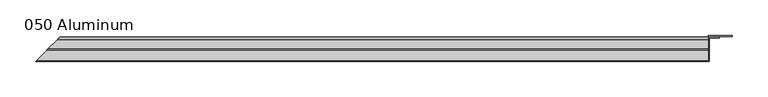
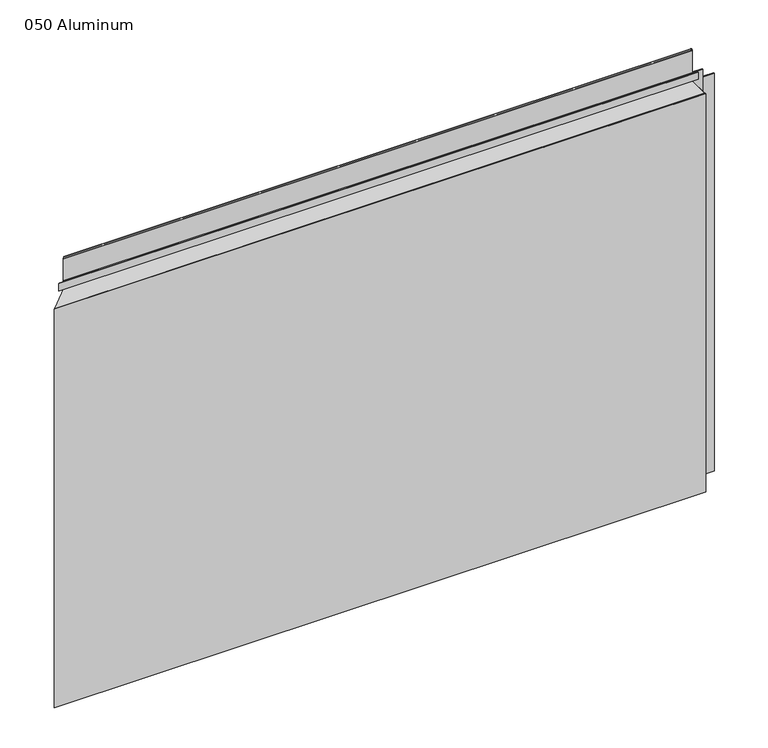
"""IFC4 building model written with IfcOpenShell, lengths in millimetres: plate geometry, 050 Aluminum."""

from ifc_helpers import new_model, si_unit, frame, origin, origin_with_axes, place, context, project, spatial, polyline, circle_curve, ellipse_curve, outline, extrude, source, transform, mapped, element, save
from ifc_brep_helpers import plane_surface, cylinder_surface, revolved_surface, advanced_brep


def plate_050_aluminum_416244a2(model_context):
    return source(origin(), model_context, "Body", "SolidModel", [
        advanced_brep(
        [(445.1549999, -16.6765477, 13.1458337), (445.1549999, -23.0264743, 13.124237), (445.1549999, -23.0264743, 1.2693678), (445.1549999, -34.7980002, 1.2693678), (445.1549999, -34.7980002, 0.0), (445.1549999, -21.7564743, 0.0), (445.1549999, -21.7564743, 13.124237), (445.1549999, -17.9464915, 13.1323356), (445.1549999, -17.9464915, 2.786437), (445.1549999, -16.6765477, 2.786437), (-475.8015477, -16.6765477, 2.786437), (-475.8015477, -16.6765477, 13.1458337), (-477.0714914, -17.9464915, 2.786437), (-477.0714914, -17.9464915, 13.1323356), (-480.8814742, -21.7564743, 13.124237), (-480.8814742, -21.7564743, 0.0), (-493.9229999, -34.7980002, 0.0), (-493.9229999, -34.7980002, 1.2693678), (-482.1514742, -23.0264743, 1.2693678), (-482.1514742, -23.0264743, 13.124237)],
        [
            (0, 1, circle_curve(frame((445.1549999, -19.8514743, 13.124237), z_axis=(1.0, 0.0, 0.0), x_axis=(0.0, 0.0, -1.0)), 3.175)),
            (1, 2),
            (2, 3),
            (3, 4),
            (4, 5),
            (5, 6),
            (6, 7, circle_curve(frame((445.1549999, -19.8514743, 13.124237), z_axis=(-1.0, 0.0, 0.0), x_axis=(0.0, 0.0, -1.0)), 1.905)),
            (7, 8),
            (8, 9),
            (9, 0),
            (9, 10),
            (10, 11),
            (11, 0),
            (8, 12),
            (12, 10),
            (7, 13),
            (13, 12),
            (6, 14),
            (14, 13, ellipse_curve(frame((-478.9764742, -19.8514743, 13.124237), z_axis=(-0.7071067811865466, 0.7071067811865485, 0.0), x_axis=(0.7071067811865485, 0.7071067811865466, 0.0)), 2.6940768, 1.905)),
            (5, 15),
            (15, 14),
            (4, 16),
            (16, 15),
            (3, 17),
            (17, 16),
            (2, 18),
            (18, 17),
            (1, 19),
            (19, 18),
            (11, 19, ellipse_curve(frame((-478.9764742, -19.8514743, 13.124237), z_axis=(0.7071067811865466, -0.7071067811865485, 0.0), x_axis=(-0.7071067811865485, -0.7071067811865466, 0.0)), 4.4901281, 3.175)),
        ],
        [
            plane_surface(frame((445.1549999, -36.068, 0.0), z_axis=(1.0, 0.0, 0.0), x_axis=(0.0, 0.0, 1.0))),
            plane_surface(frame((-493.9229999, -16.6765477, 13.1458337), z_axis=(0.0, 1.0, 0.0), x_axis=(1.0, 0.0, 0.0))),
            plane_surface(frame((-493.9229999, -16.6765477, 2.786437), z_axis=(0.0, 0.0, -1.0), x_axis=(1.0, 0.0, 0.0))),
            plane_surface(frame((-493.9229999, -17.9464915, 2.786437), z_axis=(0.0, -1.0, 0.0), x_axis=(1.0, 0.0, 0.0))),
            revolved_surface(polyline([(445.15499990000006, -19.8514743, 11.219237000000001), (-480.8814742, -19.8514743, 11.219237000000001)]), (-493.9229999, -19.8514743, 13.124237), (1.0, 0.0, 0.0)),
            plane_surface(frame((-493.9229999, -21.7564743, 13.124237), z_axis=(0.0, 1.0, 0.0), x_axis=(1.0, 0.0, 0.0))),
            plane_surface(frame((-493.9229999, -21.7564743, 0.0), z_axis=(0.0, 0.0, -1.0), x_axis=(1.0, 0.0, 0.0))),
            plane_surface(frame((-493.9229999, -34.7980002, 0.0), z_axis=(0.0, -1.0, 0.0), x_axis=(1.0, 0.0, 0.0))),
            plane_surface(frame((-493.9229999, -34.7980002, 1.2693678), z_axis=(0.0, 0.0, 1.0), x_axis=(1.0, 0.0, 0.0))),
            plane_surface(frame((-493.9229999, -23.0264743, 1.2693678), z_axis=(0.0, -1.0, 0.0), x_axis=(1.0, 0.0, 0.0))),
            cylinder_surface(frame((-493.9229999, -19.8514743, 13.124237), z_axis=(-1.0, 0.0, 0.0), x_axis=(0.0, 0.0, -1.0)), 3.175),
            plane_surface(frame((-495.1929999, -36.068, 795.4549971), z_axis=(-0.7071067811865466, 0.7071067811865485, 0.0), x_axis=(0.0, 0.0, -1.0))),
        ],
        [
            (0, [[1, 2, 3, 4, 5, 6, 7, 8, 9, 10]]),
            (1, [[-10, 11, 12, 13]]),
            (2, [[-9, 14, 15, -11]]),
            (3, [[-8, 16, 17, -14]]),
            (4, [[-7, 18, 19, -16]]),
            (5, [[-6, 20, 21, -18]]),
            (6, [[-5, 22, 23, -20]]),
            (7, [[-4, 24, 25, -22]]),
            (8, [[-3, 26, 27, -24]]),
            (9, [[-2, 28, 29, -26]]),
            (10, [[-1, -13, 30, -28]]),
            (11, [[-12, -15, -17, -19, -21, -23, -25, -27, -29, -30]]),
        ],
    ),
        advanced_brep(
        [(445.1549999, -2.0574743, 656.7932001), (445.1549999, -5.3594742, 656.7932001), (445.1549999, -5.3594742, 623.57), (445.1549999, -19.2164743, 623.57), (445.1549999, -19.2164743, 633.6538), (445.1549999, -20.4864742, 633.6538), (445.1549999, -20.4864742, 622.3), (445.1549999, -4.0894742, 622.3), (445.1549999, -4.0894742, 656.7932001), (445.1549999, -3.3274743, 656.7932001), (445.1549999, -3.3274743, 609.6000001), (445.1549999, -34.7980002, 609.6000001), (445.1549999, -34.7980002, 608.33), (445.1549999, -2.0574743, 608.33), (-461.1824742, -2.0574743, 608.33), (-461.1824742, -2.0574743, 656.7932001), (-493.9229999, -34.7980002, 608.33), (-493.9229999, -34.7980002, 609.6000001), (-462.4524742, -3.3274743, 609.6000001), (-462.4524742, -3.3274743, 656.7932001), (-463.2144741, -4.0894742, 656.7932001), (-463.2144741, -4.0894742, 622.3), (-479.6114742, -20.4864742, 622.3), (-479.6114742, -20.4864742, 633.6538), (-478.3414742, -19.2164743, 633.6538), (-478.3414742, -19.2164743, 623.57), (-464.4844741, -5.3594742, 623.57), (-464.4844741, -5.3594742, 656.7932001)],
        [
            (0, 1, circle_curve(frame((445.1549999, -3.7084742, 656.7932001), z_axis=(1.0, 0.0, 0.0), x_axis=(0.0, 0.0, -1.0)), 1.6509999)),
            (1, 2),
            (2, 3),
            (3, 4),
            (4, 5),
            (5, 6),
            (6, 7),
            (7, 8),
            (8, 9, circle_curve(frame((445.1549999, -3.7084742, 656.7932001), z_axis=(-1.0, 0.0, 0.0), x_axis=(0.0, 0.0, -1.0)), 0.3809999)),
            (9, 10),
            (10, 11),
            (11, 12),
            (12, 13),
            (13, 0),
            (13, 14),
            (14, 15),
            (15, 0),
            (12, 16),
            (16, 14),
            (11, 17),
            (17, 16),
            (10, 18),
            (18, 17),
            (9, 19),
            (19, 18),
            (8, 20),
            (20, 19, ellipse_curve(frame((-462.8334742, -3.7084742, 656.7932001), z_axis=(-0.7071067811865466, 0.7071067811865485, 0.0), x_axis=(0.7071067811865485, 0.7071067811865466, 0.0)), 0.5388153, 0.3809999)),
            (7, 21),
            (21, 20),
            (6, 22),
            (22, 21),
            (5, 23),
            (23, 22),
            (4, 24),
            (24, 23),
            (3, 25),
            (25, 24),
            (2, 26),
            (26, 25),
            (1, 27),
            (27, 26),
            (15, 27, ellipse_curve(frame((-462.8334742, -3.7084742, 656.7932001), z_axis=(0.7071067811865466, -0.7071067811865485, 0.0), x_axis=(-0.7071067811865485, -0.7071067811865466, 0.0)), 2.3348665, 1.6509999)),
        ],
        [
            plane_surface(frame((445.1549999, -36.068, 609.6), z_axis=(1.0, 0.0, 0.0), x_axis=(0.0, 0.0, 1.0))),
            plane_surface(frame((-493.9229999, -2.0574743, 656.7932001), z_axis=(0.0, 1.0, 0.0), x_axis=(1.0, 0.0, 0.0))),
            plane_surface(frame((-493.9229999, -2.0574743, 608.33), z_axis=(0.0, 0.0, -1.0), x_axis=(1.0, 0.0, 0.0))),
            plane_surface(frame((-493.9229999, -34.7980002, 608.33), z_axis=(0.0, -1.0, 0.0), x_axis=(1.0, 0.0, 0.0))),
            plane_surface(frame((-493.9229999, -34.7980002, 609.6000001), z_axis=(0.0, 0.0, 1.0), x_axis=(1.0, 0.0, 0.0))),
            plane_surface(frame((-493.9229999, -3.3274743, 609.6000001), z_axis=(0.0, -1.0, 0.0), x_axis=(1.0, 0.0, 0.0))),
            revolved_surface(polyline([(445.15499990000006, -3.7084742, 656.4122002), (-463.2144741524371, -3.7084742, 656.4122002)]), (-493.9229999, -3.7084742, 656.7932001), (1.0, 0.0, 0.0)),
            plane_surface(frame((-493.9229999, -4.0894742, 656.7932001), z_axis=(0.0, 1.0, 0.0), x_axis=(1.0, 0.0, 0.0))),
            plane_surface(frame((-493.9229999, -4.0894742, 622.3), z_axis=(0.0, 0.0, -1.0), x_axis=(1.0, 0.0, 0.0))),
            plane_surface(frame((-493.9229999, -20.4864742, 622.3), z_axis=(0.0, -1.0, 0.0), x_axis=(1.0, 0.0, 0.0))),
            plane_surface(frame((-493.9229999, -20.4864742, 633.6538), z_axis=(0.0, 0.0, 1.0), x_axis=(1.0, 0.0, 0.0))),
            plane_surface(frame((-493.9229999, -19.2164743, 633.6538), z_axis=(0.0, 1.0, 0.0), x_axis=(1.0, 0.0, 0.0))),
            plane_surface(frame((-493.9229999, -19.2164743, 623.57), z_axis=(0.0, 0.0, 1.0), x_axis=(1.0, 0.0, 0.0))),
            plane_surface(frame((-493.9229999, -5.3594742, 623.57), z_axis=(0.0, -1.0, 0.0), x_axis=(1.0, 0.0, 0.0))),
            cylinder_surface(frame((-493.9229999, -3.7084742, 656.7932001), z_axis=(-1.0, 0.0, 0.0), x_axis=(0.0, 0.0, -1.0)), 1.6509999),
            plane_surface(frame((-495.1929999, -36.068, 795.4549971), z_axis=(-0.7071067811865466, 0.7071067811865485, 0.0), x_axis=(0.0, 0.0, -1.0))),
        ],
        [
            (0, [[1, 2, 3, 4, 5, 6, 7, 8, 9, 10, 11, 12, 13, 14]]),
            (1, [[-14, 15, 16, 17]]),
            (2, [[-13, 18, 19, -15]]),
            (3, [[-12, 20, 21, -18]]),
            (4, [[-11, 22, 23, -20]]),
            (5, [[-10, 24, 25, -22]]),
            (6, [[-9, 26, 27, -24]]),
            (7, [[-8, 28, 29, -26]]),
            (8, [[-7, 30, 31, -28]]),
            (9, [[-6, 32, 33, -30]]),
            (10, [[-5, 34, 35, -32]]),
            (11, [[-4, 36, 37, -34]]),
            (12, [[-3, 38, 39, -36]]),
            (13, [[-2, 40, 41, -38]]),
            (14, [[-1, -17, 42, -40]]),
            (15, [[-16, -19, -21, -23, -25, -27, -29, -31, -33, -35, -37, -39, -41, -42]]),
        ],
    ),
        extrude(outline(polyline([(446.4249999, -34.7980001), (446.4249999, -36.068), (-495.1929999, -36.068), (-493.923, -34.7980001), (446.4249999, -34.7980001)])), origin_with_axes(), (0.0, 0.0, 1.0), 609.6),
        extrude(outline(polyline([(446.4249999, -1.2699999), (446.4249999, -34.7980002), (445.155, -34.7980002), (445.155, 0.0), (478.9370856, 0.0), (478.9370856, -1.2699999), (446.4249999, -1.2699999)])), origin_with_axes(), (0.0, 0.0, 1.0), 608.33),
        extrude(outline(polyline([(445.1549999, -3.3274743), (445.1549999, -2.0574743), (460.9029998, -2.0574743), (460.9029998, -3.3274743), (445.1549999, -3.3274743)])), origin_with_axes(), (0.0, 0.0, 1.0), 622.3),
    ])


if __name__ == "__main__":
    model = new_model("IFC4")
    model_context = context("Model", 3, world=origin())
    ifc_project = project(units=[si_unit("LENGTHUNIT", "METRE", prefix="MILLI")], contexts=[model_context])
    site = spatial("IfcSite", under=ifc_project)
    building = spatial("IfcBuilding", under=site)
    placement = place(None, origin())
    plate_050_aluminum_shape = plate_050_aluminum_416244a2(model_context)
    element("IfcPlate", 1, ObjectType="050 Aluminum", at=placement, inside=building, context=model_context, shape_type="MappedRepresentation", body=[
        mapped(plate_050_aluminum_shape, transform((0.0, 0.0, 0.0), x_axis=(1.0, 0.0, 0.0), y_axis=(0.0, 1.0, 0.0), z_axis=(0.0, 0.0, 1.0))),
    ])
    save(model, "model.ifc")
